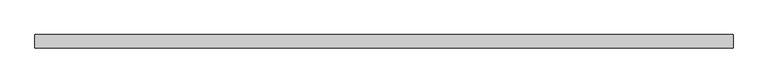
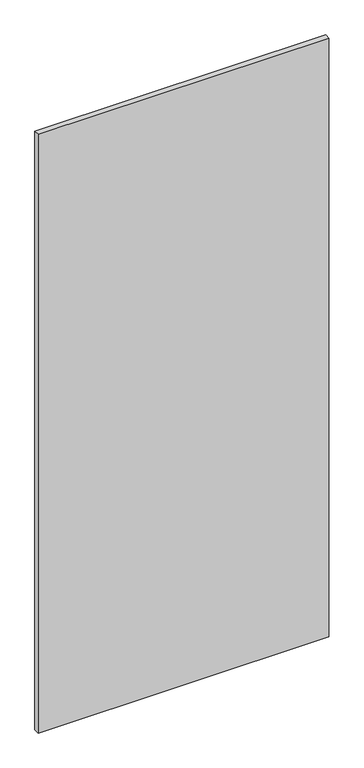
"""IFC4 building model written with IfcOpenShell, lengths in millimetres: proxy geometry."""

from ifc_helpers import new_model, si_unit, frame, origin, place, context, project, spatial, polyline, outline, extrude, source, transform, mapped, element, save


def specialty_equipment_38c304e7(model_context):
    return source(origin(), model_context, "Body", "SweptSolid", [
        extrude(outline(polyline([(506.1204, -9.525), (-506.1204, -9.525), (-506.1204, 9.525), (506.1204, 9.525), (506.1204, -9.525)])), frame((0.0, 0.0, 3.175), z_axis=(0.0, 0.0, 1.0), x_axis=(1.0, 0.0, 0.0)), (0.0, 0.0, 1.0), 2203.45),
    ])


if __name__ == "__main__":
    model = new_model("IFC4")
    model_context = context("Model", 3, world=origin())
    ifc_project = project(units=[si_unit("LENGTHUNIT", "METRE", prefix="MILLI")], contexts=[model_context])
    site = spatial("IfcSite", under=ifc_project)
    building = spatial("IfcBuilding", under=site)
    placement = place(None, origin())
    specialty_equipment_shape = specialty_equipment_38c304e7(model_context)
    element("IfcBuildingElementProxy", 1, Name="Specialty Equipment", at=placement, inside=building, context=model_context, shape_type="MappedRepresentation", body=[
        mapped(specialty_equipment_shape, transform((0.0, 0.0, 0.0), x_axis=(1.0, 0.0, 0.0), y_axis=(0.0, 1.0, 0.0), z_axis=(0.0, 0.0, 1.0))),
    ])
    save(model, "model.ifc")
